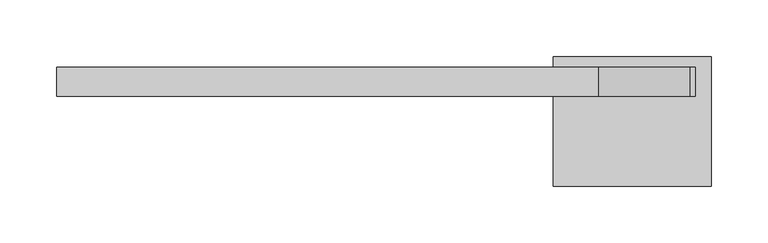
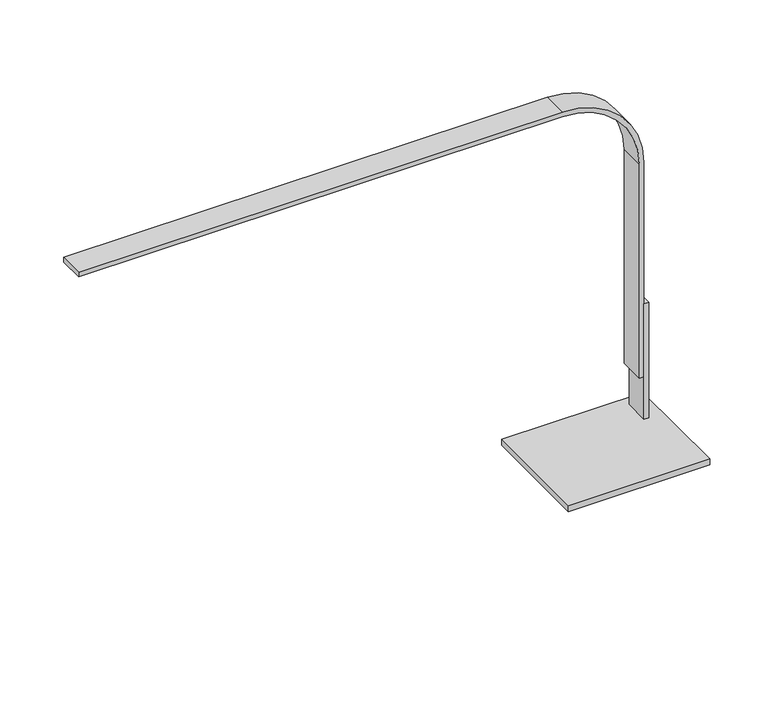
"""IFC4 building model written with IfcOpenShell, lengths in millimetres: light fixture geometry."""

import ifcopenshell
import ifcopenshell.guid

model = None  # the IFC model being written
_history = None  # IfcOwnerHistory: only IFC2X3 demands one
_inside = {}  # id of a spatial element -> (the spatial element, [elements in it])
_under = {}  # id of a project, library or spatial element -> (it, [spatial elements below it])
_declared = {}  # id of a project -> (the project, [libraries it declares])
_typed = {}  # id of a type object -> (the type object, [elements of that type])
_made_of = {}  # id of a material, layer set ... -> (it, [elements and type objects made of it])


def new_model(schema):
    """Start an empty IFC model of exactly this schema.

    Asked for "IFC4X3", IfcOpenShell would pick the latest addendum, in which some entities
    have other attributes; the version numbers below select the first issue.
    IFC2X3 requires an IfcOwnerHistory on every rooted entity: one is made here for all.
    """
    global model, _history
    if schema == "IFC4X3":
        model = ifcopenshell.file(schema_version=(4, 3, 0, 0))
    else:
        model = ifcopenshell.file(schema=schema)
    _inside.clear()
    _under.clear()
    _declared.clear()
    _typed.clear()
    _made_of.clear()
    _history = None
    if model.schema == "IFC2X3":
        org = make("IfcOrganization", Name="unknown")
        user = make(
            "IfcPersonAndOrganization",
            ThePerson=make("IfcPerson", FamilyName="unknown"),
            TheOrganization=org,
        )
        app = make(
            "IfcApplication",
            ApplicationDeveloper=org,
            Version="unknown",
            ApplicationFullName="unknown",
            ApplicationIdentifier="unknown",
        )
        _history = make(
            "IfcOwnerHistory",
            OwningUser=user,
            OwningApplication=app,
            ChangeAction="ADDED",
            CreationDate=0,
        )
    return model


def make(cls, **values):
    """One entity of the class cls with the attributes given. An attribute that is None is left unset."""
    return model.create_entity(
        cls, **{name: value for name, value in values.items() if value is not None}
    )


def rooted(cls, **values):
    """An entity with a GlobalId (a new one), such as an element, a storey or a relation."""
    return make(cls, GlobalId=ifcopenshell.guid.new(), OwnerHistory=_history, **values)


def si_unit(unit_type, name, prefix=None):
    """IfcSIUnit, for example si_unit("LENGTHUNIT", "METRE", prefix="MILLI")."""
    return make("IfcSIUnit", UnitType=unit_type, Prefix=prefix, Name=name)


def assignment(units):
    """IfcUnitAssignment: the units of a project."""
    return None if units is None else make("IfcUnitAssignment", Units=units)


def point(xyz):
    """IfcCartesianPoint."""
    return None if xyz is None else make("IfcCartesianPoint", Coordinates=xyz)


def direction(xyz):
    """IfcDirection."""
    return None if xyz is None else make("IfcDirection", DirectionRatios=xyz)


def frame(location, z_axis=None, x_axis=None):
    """IfcAxis2Placement3D, a coordinate frame: its origin and axes. An axis left out is left unset."""
    return make(
        "IfcAxis2Placement3D",
        Location=point(location),
        Axis=direction(z_axis),
        RefDirection=direction(x_axis),
    )


def frame_2d(location, x_axis=None):
    """IfcAxis2Placement2D, a coordinate frame in the plane: its origin and x axis."""
    return make(
        "IfcAxis2Placement2D", Location=point(location), RefDirection=direction(x_axis)
    )


def origin():
    """The frame at (0, 0, 0) with its axes left unset."""
    return frame((0.0, 0.0, 0.0))


def place(relative_to, where):
    """IfcLocalPlacement: puts the frame where relative to a parent placement (None: the world)."""
    return make(
        "IfcLocalPlacement", PlacementRelTo=relative_to, RelativePlacement=where
    )


def context(
    kind, dimensions, precision=None, world=None, true_north=None, identifier=None
):
    """IfcGeometricRepresentationContext, for example the 3D "Model" context."""
    return make(
        "IfcGeometricRepresentationContext",
        ContextIdentifier=identifier,
        ContextType=kind,
        CoordinateSpaceDimension=dimensions,
        Precision=precision,
        WorldCoordinateSystem=world,
        TrueNorth=true_north,
    )


def project(units=None, contexts=None):
    """IfcProject with its units and contexts."""
    return rooted(
        "IfcProject",
        Name="project",
        RepresentationContexts=contexts,
        UnitsInContext=assignment(units),
    )


def spatial(cls, under=None, at=None, **own):
    """A site, building, storey or space (cls), placed at a placement, below another one or the project."""
    s = rooted(cls, ObjectPlacement=at, **own)
    if under is not None:
        _under.setdefault(under.id(), (under, []))[1].append(s)
    return s


def polyline(points):
    """IfcPolyline through the points."""
    return make("IfcPolyline", Points=[point(p) for p in points])


def circle_curve(where, radius):
    """IfcCircle in the frame where."""
    return make("IfcCircle", Position=where, Radius=radius)


def trimmed(basis, trim1, trim2, sense, master):
    """IfcTrimmedCurve: the piece of a basis curve between two trims."""
    return make(
        "IfcTrimmedCurve",
        BasisCurve=basis,
        Trim1=trim1,
        Trim2=trim2,
        SenseAgreement=sense,
        MasterRepresentation=master,
    )


def segment(curve, same_sense, transition):
    """IfcCompositeCurveSegment."""
    return make(
        "IfcCompositeCurveSegment",
        Transition=transition,
        SameSense=same_sense,
        ParentCurve=curve,
    )


def composite_curve(segments, self_intersect=None):
    """IfcCompositeCurve: segments joined end to end."""
    return make("IfcCompositeCurve", Segments=segments, SelfIntersect=self_intersect)


def outline(outer, holes=None, kind="AREA"):
    """IfcArbitraryClosedProfileDef: a profile drawn as a closed curve; with holes, ...WithVoids."""
    if holes is None:
        return make("IfcArbitraryClosedProfileDef", ProfileType=kind, OuterCurve=outer)
    return make(
        "IfcArbitraryProfileDefWithVoids",
        ProfileType=kind,
        OuterCurve=outer,
        InnerCurves=holes,
    )


def extrude(swept, where, along, depth):
    """IfcExtrudedAreaSolid: the profile swept, set in the frame where, extruded along a direction by depth."""
    return make(
        "IfcExtrudedAreaSolid",
        SweptArea=swept,
        Position=where,
        ExtrudedDirection=direction(along),
        Depth=depth,
    )


def faces_of(points, faces, orient=None, outer=None):
    """IfcFace entities. A face is a list of loops; a loop is a list of indices into points, from 0.

    orient and outer hold one flag for each loop. By default every Orientation is true, the
    first loop of a face is its IfcFaceOuterBound and the others are IfcFaceBound.
    """
    made = []
    for i, loops in enumerate(faces):
        bounds = []
        for j, loop in enumerate(loops):
            is_outer = j == 0 if outer is None else outer[i][j]
            bounds.append(
                make(
                    "IfcFaceOuterBound" if is_outer else "IfcFaceBound",
                    Bound=make("IfcPolyLoop", Polygon=[points[k] for k in loop]),
                    Orientation=True if orient is None else orient[i][j],
                )
            )
        made.append(make("IfcFace", Bounds=bounds))
    return made


def faceted_brep(points, faces, orient=None, outer=None, voids=None):
    """IfcFacetedBrep: a solid bounded by flat faces; with voids (closed shells), ...WithVoids."""
    shared = [point(p) for p in points]
    hull = make("IfcClosedShell", CfsFaces=faces_of(shared, faces, orient, outer))
    if voids is None:
        return make("IfcFacetedBrep", Outer=hull)
    return make(
        "IfcFacetedBrepWithVoids",
        Outer=hull,
        Voids=[
            make(cls, CfsFaces=faces_of(shared, fs, o, b)) for cls, fs, o, b in voids
        ],
    )


def shape(context_of_items, identifier, shape_type, items):
    """IfcShapeRepresentation: the items that make up one representation, for example the "Body"."""
    return make(
        "IfcShapeRepresentation",
        ContextOfItems=context_of_items,
        RepresentationIdentifier=identifier,
        RepresentationType=shape_type,
        Items=items,
    )


def source(mapping_origin, context_of_items, identifier, shape_type, items):
    """IfcRepresentationMap: a shape defined once, which mapped items show again and again."""
    return make(
        "IfcRepresentationMap",
        MappingOrigin=mapping_origin,
        MappedRepresentation=shape(context_of_items, identifier, shape_type, items),
    )


def transform(
    local_origin,
    x_axis=None,
    y_axis=None,
    z_axis=None,
    scale=None,
    scale2=None,
    scale3=None,
    uniform=True,
):
    """IfcCartesianTransformationOperator3D, or its non-uniform kind. x_axis, y_axis, z_axis: its Axis1, 2, 3."""
    if uniform:
        return make(
            "IfcCartesianTransformationOperator3D",
            Axis1=direction(x_axis),
            Axis2=direction(y_axis),
            LocalOrigin=point(local_origin),
            Scale=scale,
            Axis3=direction(z_axis),
        )
    return make(
        "IfcCartesianTransformationOperator3DnonUniform",
        Axis1=direction(x_axis),
        Axis2=direction(y_axis),
        LocalOrigin=point(local_origin),
        Scale=scale,
        Axis3=direction(z_axis),
        Scale2=scale2,
        Scale3=scale3,
    )


def mapped(mapping_source, mapping_target):
    """IfcMappedItem: shows the shape of a source again, moved by a transform."""
    return make(
        "IfcMappedItem", MappingSource=mapping_source, MappingTarget=mapping_target
    )


def made_of(thing, what):
    """Note that an element or type object is made of a material, layer set ...; save() writes the relation."""
    if what is not None:
        _made_of.setdefault(what.id(), (what, []))[1].append(thing)
    return thing


def element(
    cls,
    number,
    at=None,
    inside=None,
    cuts=None,
    type_object=None,
    material=None,
    context=None,
    identifier="Body",
    shape_type=None,
    held_by="IfcProductDefinitionShape",
    body=None,
    shapes=None,
    **own,
):
    """One element of the class cls, such as IfcWall. Its Tag is "e" and its number.

    at: its placement. inside: the storey or other place that contains it. cuts: it is an
    opening in that element (IfcRelVoidsElement). A single representation is given by context,
    identifier, shape_type and body (its items); several are given by shapes. held_by: the class
    of the entity that holds the representations. save() writes the other relations.
    """
    e = rooted(cls, Tag="e%d" % number, ObjectPlacement=at, **own)
    if body is not None:
        shapes = [shape(context, identifier, shape_type, body)]
    if shapes is not None:
        e.Representation = make(held_by, Representations=shapes)
    if inside is not None:
        _inside.setdefault(inside.id(), (inside, []))[1].append(e)
    if cuts is not None:
        rooted(
            "IfcRelVoidsElement", RelatingBuildingElement=cuts, RelatedOpeningElement=e
        )
    if type_object is not None:
        _typed.setdefault(type_object.id(), (type_object, []))[1].append(e)
    return made_of(e, material)


def aggregate(whole, parts):
    """IfcRelAggregates: a whole, such as a stair, and the parts it consists of."""
    return rooted("IfcRelAggregates", RelatingObject=whole, RelatedObjects=parts)


def save(model, path):
    """Write the relations noted so far, then the file.

    IfcRelAggregates (storeys below a building ...), IfcRelContainedInSpatialStructure (elements
    in a storey), IfcRelDefinesByType, IfcRelAssociatesMaterial and IfcRelDeclares: one each for
    every whole, place, type object, material and project.
    """
    for whole, parts in _under.values():
        aggregate(whole, parts)
    for where, things in _inside.values():
        rooted(
            "IfcRelContainedInSpatialStructure",
            RelatedElements=things,
            RelatingStructure=where,
        )
    for kind, things in _typed.values():
        rooted("IfcRelDefinesByType", RelatedObjects=things, RelatingType=kind)
    for what, things in _made_of.values():
        rooted("IfcRelAssociatesMaterial", RelatedObjects=things, RelatingMaterial=what)
    for by, libraries in _declared.values():
        rooted("IfcRelDeclares", RelatingContext=by, RelatedDefinitions=libraries)
    model.write(path)


def light_fixture_aa0bc9a1(model_context):
    return source(origin(), model_context, "Body", "SolidModel", [
        faceted_brep([(34.1911301, -236.9532085, 863.6), (34.1911301, -211.5532085, 863.6), (29.4286301, -211.5532085, 863.6), (29.4286301, -236.9532085, 863.6), (48.4786301, -316.3282085, 736.6), (-91.2213699, -316.3282085, 736.6), (-91.2213699, -202.0282085, 736.6), (48.4786301, -202.0282085, 736.6), (34.1911301, -236.9532085, 742.95), (34.1911301, -211.5532085, 742.95), (29.4286301, -211.5532085, 742.95), (29.4286301, -236.9532085, 742.95), (48.4786301, -316.3282085, 742.95), (48.4786301, -202.0282085, 742.95), (-91.2213699, -202.0282085, 742.95), (-91.2213699, -316.3282085, 742.95)], [[[0, 1, 2, 3]], [[4, 5, 6, 7]], [[0, 8, 9, 1]], [[1, 9, 10, 2]], [[2, 10, 11, 3]], [[3, 11, 8, 0]], [[12, 13, 14, 15], [8, 11, 10, 9]], [[15, 5, 4, 12]], [[14, 6, 5, 15]], [[13, 7, 6, 14]], [[12, 4, 7, 13]]]),
        extrude(outline(composite_curve([segment(polyline([(1087.4375, -529.3713699), (1087.4375, -51.5338699)]), True, "CONTINUOUS"), segment(trimmed(circle_curve(frame_2d((1011.2375, -51.5338699)), 76.2), [point((1087.4375, -51.5338699))], [point((1011.2375, 24.6661301))], True, "CARTESIAN"), True, "CONTINUOUS"), segment(polyline([(1011.2375, 24.6661301), (787.4, 24.6661301), (787.4, 29.4286301), (1011.2375, 29.4286301)]), True, "CONTINUOUS"), segment(trimmed(circle_curve(frame_2d((1011.2375, -51.5338699)), 80.9625), [point((1011.2375, 29.4286301))], [point((1092.2, -51.5338699))], False, "CARTESIAN"), True, "CONTINUOUS"), segment(polyline([(1092.2, -51.5338699), (1092.2, -529.3713699), (1087.4375, -529.3713699)]), True, "CONTINUOUS")], self_intersect=False)), frame((0.0, -236.9532085, 0.0), z_axis=(0.0, 1.0, 0.0), x_axis=(0.0, 0.0, 1.0)), (0.0, 0.0, 1.0), 25.4),
    ])


if __name__ == "__main__":
    model = new_model("IFC4")
    model_context = context("Model", 3, world=origin())
    ifc_project = project(units=[si_unit("LENGTHUNIT", "METRE", prefix="MILLI")], contexts=[model_context])
    site = spatial("IfcSite", under=ifc_project)
    building = spatial("IfcBuilding", under=site)
    placement = place(None, origin())
    light_fixture_shape = light_fixture_aa0bc9a1(model_context)
    element("IfcLightFixture", 1, at=placement, inside=building, context=model_context, shape_type="MappedRepresentation", body=[
        mapped(light_fixture_shape, transform((0.0, 0.0, 0.0), x_axis=(1.0, 0.0, 0.0), y_axis=(0.0, 1.0, 0.0), z_axis=(0.0, 0.0, 1.0))),
    ])
    save(model, "model.ifc")
